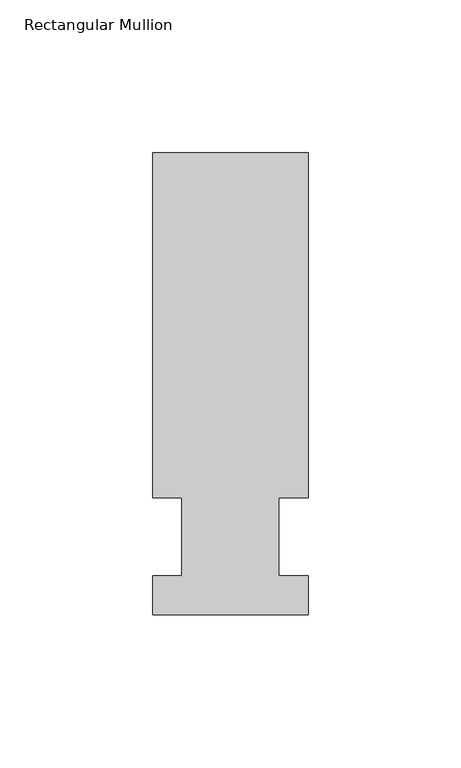
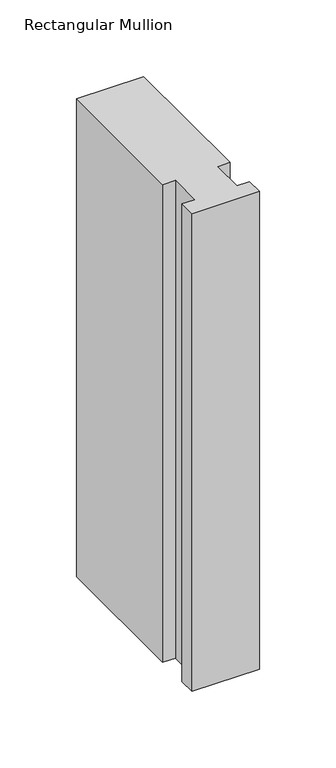
"""IFC4 building model written with IfcOpenShell, lengths in millimetres: member geometry, Rectangular Mullion."""

import ifcopenshell
import ifcopenshell.guid

model = None  # the IFC model being written
_history = None  # IfcOwnerHistory: only IFC2X3 demands one
_inside = {}  # id of a spatial element -> (the spatial element, [elements in it])
_under = {}  # id of a project, library or spatial element -> (it, [spatial elements below it])
_declared = {}  # id of a project -> (the project, [libraries it declares])
_typed = {}  # id of a type object -> (the type object, [elements of that type])
_made_of = {}  # id of a material, layer set ... -> (it, [elements and type objects made of it])


def new_model(schema):
    """Start an empty IFC model of exactly this schema.

    Asked for "IFC4X3", IfcOpenShell would pick the latest addendum, in which some entities
    have other attributes; the version numbers below select the first issue.
    IFC2X3 requires an IfcOwnerHistory on every rooted entity: one is made here for all.
    """
    global model, _history
    if schema == "IFC4X3":
        model = ifcopenshell.file(schema_version=(4, 3, 0, 0))
    else:
        model = ifcopenshell.file(schema=schema)
    _inside.clear()
    _under.clear()
    _declared.clear()
    _typed.clear()
    _made_of.clear()
    _history = None
    if model.schema == "IFC2X3":
        org = make("IfcOrganization", Name="unknown")
        user = make(
            "IfcPersonAndOrganization",
            ThePerson=make("IfcPerson", FamilyName="unknown"),
            TheOrganization=org,
        )
        app = make(
            "IfcApplication",
            ApplicationDeveloper=org,
            Version="unknown",
            ApplicationFullName="unknown",
            ApplicationIdentifier="unknown",
        )
        _history = make(
            "IfcOwnerHistory",
            OwningUser=user,
            OwningApplication=app,
            ChangeAction="ADDED",
            CreationDate=0,
        )
    return model


def make(cls, **values):
    """One entity of the class cls with the attributes given. An attribute that is None is left unset."""
    return model.create_entity(
        cls, **{name: value for name, value in values.items() if value is not None}
    )


def rooted(cls, **values):
    """An entity with a GlobalId (a new one), such as an element, a storey or a relation."""
    return make(cls, GlobalId=ifcopenshell.guid.new(), OwnerHistory=_history, **values)


def si_unit(unit_type, name, prefix=None):
    """IfcSIUnit, for example si_unit("LENGTHUNIT", "METRE", prefix="MILLI")."""
    return make("IfcSIUnit", UnitType=unit_type, Prefix=prefix, Name=name)


def assignment(units):
    """IfcUnitAssignment: the units of a project."""
    return None if units is None else make("IfcUnitAssignment", Units=units)


def point(xyz):
    """IfcCartesianPoint."""
    return None if xyz is None else make("IfcCartesianPoint", Coordinates=xyz)


def direction(xyz):
    """IfcDirection."""
    return None if xyz is None else make("IfcDirection", DirectionRatios=xyz)


def frame(location, z_axis=None, x_axis=None):
    """IfcAxis2Placement3D, a coordinate frame: its origin and axes. An axis left out is left unset."""
    return make(
        "IfcAxis2Placement3D",
        Location=point(location),
        Axis=direction(z_axis),
        RefDirection=direction(x_axis),
    )


def origin():
    """The frame at (0, 0, 0) with its axes left unset."""
    return frame((0.0, 0.0, 0.0))


def place(relative_to, where):
    """IfcLocalPlacement: puts the frame where relative to a parent placement (None: the world)."""
    return make(
        "IfcLocalPlacement", PlacementRelTo=relative_to, RelativePlacement=where
    )


def context(
    kind, dimensions, precision=None, world=None, true_north=None, identifier=None
):
    """IfcGeometricRepresentationContext, for example the 3D "Model" context."""
    return make(
        "IfcGeometricRepresentationContext",
        ContextIdentifier=identifier,
        ContextType=kind,
        CoordinateSpaceDimension=dimensions,
        Precision=precision,
        WorldCoordinateSystem=world,
        TrueNorth=true_north,
    )


def project(units=None, contexts=None):
    """IfcProject with its units and contexts."""
    return rooted(
        "IfcProject",
        Name="project",
        RepresentationContexts=contexts,
        UnitsInContext=assignment(units),
    )


def spatial(cls, under=None, at=None, **own):
    """A site, building, storey or space (cls), placed at a placement, below another one or the project."""
    s = rooted(cls, ObjectPlacement=at, **own)
    if under is not None:
        _under.setdefault(under.id(), (under, []))[1].append(s)
    return s


def polyline(points):
    """IfcPolyline through the points."""
    return make("IfcPolyline", Points=[point(p) for p in points])


def outline(outer, holes=None, kind="AREA"):
    """IfcArbitraryClosedProfileDef: a profile drawn as a closed curve; with holes, ...WithVoids."""
    if holes is None:
        return make("IfcArbitraryClosedProfileDef", ProfileType=kind, OuterCurve=outer)
    return make(
        "IfcArbitraryProfileDefWithVoids",
        ProfileType=kind,
        OuterCurve=outer,
        InnerCurves=holes,
    )


def extrude(swept, where, along, depth):
    """IfcExtrudedAreaSolid: the profile swept, set in the frame where, extruded along a direction by depth."""
    return make(
        "IfcExtrudedAreaSolid",
        SweptArea=swept,
        Position=where,
        ExtrudedDirection=direction(along),
        Depth=depth,
    )


def shape(context_of_items, identifier, shape_type, items):
    """IfcShapeRepresentation: the items that make up one representation, for example the "Body"."""
    return make(
        "IfcShapeRepresentation",
        ContextOfItems=context_of_items,
        RepresentationIdentifier=identifier,
        RepresentationType=shape_type,
        Items=items,
    )


def source(mapping_origin, context_of_items, identifier, shape_type, items):
    """IfcRepresentationMap: a shape defined once, which mapped items show again and again."""
    return make(
        "IfcRepresentationMap",
        MappingOrigin=mapping_origin,
        MappedRepresentation=shape(context_of_items, identifier, shape_type, items),
    )


def transform(
    local_origin,
    x_axis=None,
    y_axis=None,
    z_axis=None,
    scale=None,
    scale2=None,
    scale3=None,
    uniform=True,
):
    """IfcCartesianTransformationOperator3D, or its non-uniform kind. x_axis, y_axis, z_axis: its Axis1, 2, 3."""
    if uniform:
        return make(
            "IfcCartesianTransformationOperator3D",
            Axis1=direction(x_axis),
            Axis2=direction(y_axis),
            LocalOrigin=point(local_origin),
            Scale=scale,
            Axis3=direction(z_axis),
        )
    return make(
        "IfcCartesianTransformationOperator3DnonUniform",
        Axis1=direction(x_axis),
        Axis2=direction(y_axis),
        LocalOrigin=point(local_origin),
        Scale=scale,
        Axis3=direction(z_axis),
        Scale2=scale2,
        Scale3=scale3,
    )


def mapped(mapping_source, mapping_target):
    """IfcMappedItem: shows the shape of a source again, moved by a transform."""
    return make(
        "IfcMappedItem", MappingSource=mapping_source, MappingTarget=mapping_target
    )


def made_of(thing, what):
    """Note that an element or type object is made of a material, layer set ...; save() writes the relation."""
    if what is not None:
        _made_of.setdefault(what.id(), (what, []))[1].append(thing)
    return thing


def element(
    cls,
    number,
    at=None,
    inside=None,
    cuts=None,
    type_object=None,
    material=None,
    context=None,
    identifier="Body",
    shape_type=None,
    held_by="IfcProductDefinitionShape",
    body=None,
    shapes=None,
    **own,
):
    """One element of the class cls, such as IfcWall. Its Tag is "e" and its number.

    at: its placement. inside: the storey or other place that contains it. cuts: it is an
    opening in that element (IfcRelVoidsElement). A single representation is given by context,
    identifier, shape_type and body (its items); several are given by shapes. held_by: the class
    of the entity that holds the representations. save() writes the other relations.
    """
    e = rooted(cls, Tag="e%d" % number, ObjectPlacement=at, **own)
    if body is not None:
        shapes = [shape(context, identifier, shape_type, body)]
    if shapes is not None:
        e.Representation = make(held_by, Representations=shapes)
    if inside is not None:
        _inside.setdefault(inside.id(), (inside, []))[1].append(e)
    if cuts is not None:
        rooted(
            "IfcRelVoidsElement", RelatingBuildingElement=cuts, RelatedOpeningElement=e
        )
    if type_object is not None:
        _typed.setdefault(type_object.id(), (type_object, []))[1].append(e)
    return made_of(e, material)


def aggregate(whole, parts):
    """IfcRelAggregates: a whole, such as a stair, and the parts it consists of."""
    return rooted("IfcRelAggregates", RelatingObject=whole, RelatedObjects=parts)


def save(model, path):
    """Write the relations noted so far, then the file.

    IfcRelAggregates (storeys below a building ...), IfcRelContainedInSpatialStructure (elements
    in a storey), IfcRelDefinesByType, IfcRelAssociatesMaterial and IfcRelDeclares: one each for
    every whole, place, type object, material and project.
    """
    for whole, parts in _under.values():
        aggregate(whole, parts)
    for where, things in _inside.values():
        rooted(
            "IfcRelContainedInSpatialStructure",
            RelatedElements=things,
            RelatingStructure=where,
        )
    for kind, things in _typed.values():
        rooted("IfcRelDefinesByType", RelatedObjects=things, RelatingType=kind)
    for what, things in _made_of.values():
        rooted("IfcRelAssociatesMaterial", RelatedObjects=things, RelatingMaterial=what)
    for by, libraries in _declared.values():
        rooted("IfcRelDeclares", RelatingContext=by, RelatedDefinitions=libraries)
    model.write(path)


def rectangular_mullion_a6ac186a(model_context):
    return source(origin(), model_context, "Body", "SweptSolid", [
        extrude(outline(polyline([(-25.4, -25.5984375), (-25.4, -12.7), (-15.875, -12.7), (-15.875, 12.7), (-25.4, 12.7), (-25.4, 125.6109375), (25.4, 125.6109375), (25.4, 12.7), (15.875, 12.7), (15.875, -12.7), (25.4, -12.7), (25.4, -25.5984375), (-25.4, -25.5984375)])), frame((0.0, 0.0, -381.0), z_axis=(0.0, 0.0, 1.0), x_axis=(1.0, 0.0, 0.0)), (0.0, 0.0, 1.0), 381.0),
    ])


if __name__ == "__main__":
    model = new_model("IFC4")
    model_context = context("Model", 3, world=origin())
    ifc_project = project(units=[si_unit("LENGTHUNIT", "METRE", prefix="MILLI")], contexts=[model_context])
    site = spatial("IfcSite", under=ifc_project)
    building = spatial("IfcBuilding", under=site)
    placement = place(None, origin())
    rectangular_mullion_shape = rectangular_mullion_a6ac186a(model_context)
    element("IfcMember", 1, ObjectType="Rectangular Mullion", at=placement, inside=building, context=model_context, shape_type="MappedRepresentation", body=[
        mapped(rectangular_mullion_shape, transform((0.0, 0.0, 0.0), x_axis=(1.0, 0.0, 0.0), y_axis=(0.0, 1.0, 0.0), z_axis=(0.0, 0.0, 1.0))),
    ])
    save(model, "model.ifc")
